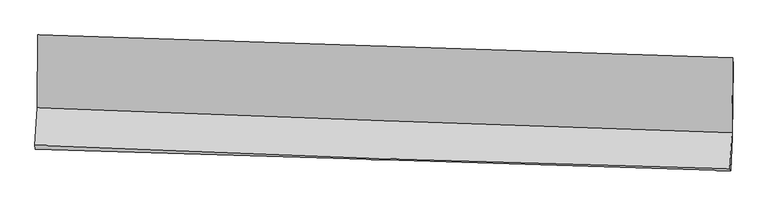
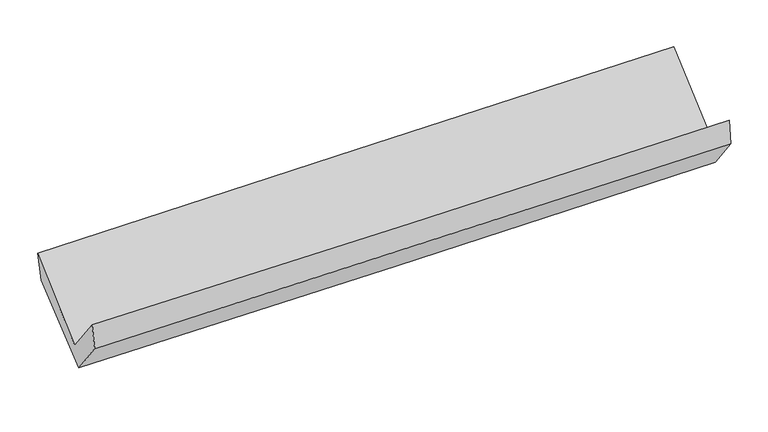
"""IFC4 building model written with IfcOpenShell, lengths in millimetres: proxy geometry."""

from ifc_helpers import new_model, si_unit, frame, origin, place, context, project, spatial, source, transform, mapped, element, save
from ifc_brep_helpers import plane_surface, spline_curve, spline_surface, advanced_brep


def generic_models_b621f8fe(model_context):
    return source(origin(), model_context, "Body", "AdvancedBrep", [
        advanced_brep(
        [(-2384.3945074, -1132.3634634, 2191.497709), (-2389.7957137, -1631.2166234, 1755.5484584), (2378.6842407, -1802.5170947, 1842.7459676), (2382.6953513, -1287.5863175, 2284.6247627), (-2404.2480497, -1890.0529101, 2081.1869226), (2364.6854321, -2049.7821919, 2161.4967147), (-2401.2765255, -1916.1059369, 1904.3005595), (2368.4412123, -2063.8206982, 1979.4678607), (-2388.2739936, -1687.3018167, 1605.6893557), (2381.2217538, -1839.4048898, 1686.8591204), (-2381.6325276, -1176.3642062, 1999.6477359), (2385.9883288, -1337.2984876, 2080.1155895)],
        [
            (0, 1),
            (1, 2, spline_curve(3, [(-2389.7957137, -1631.2166234, 1755.5484584), (-1595.201123345, -1662.570584205, 1772.91928636), (-800.534370649, -1692.522478354, 1788.871102386), (788.958944622, -1749.622690321, 1817.936993976), (1583.785510102, -1776.770952966, 1831.051014319), (2378.6842407, -1802.5170947, 1842.7459676)], [4, 2, 4], [0.0, 7.8270920636736365, 15.654336633165208])),
            (2, 3),
            (3, 0, spline_curve(3, [(2382.6953513, -1287.5863175, 2284.6247627), (1588.089141269, -1262.727822871, 2271.793091303), (793.52467837, -1237.36320694, 2257.616579227), (-795.505272711, -1185.622235725, 2226.574175791), (-1589.970762897, -1159.245900434, 2209.708336454), (-2384.3945074, -1132.3634634, 2191.497709)], [4, 2, 4], [0.0, 7.8272445694915715, 15.654336633165208])),
            (1, 4),
            (4, 5, spline_curve(3, [(-2404.2480497, -1890.0529101, 2081.1869226), (-1609.641779568, -1923.710912197, 2094.951860969), (-814.931393555, -1953.850591137, 2108.526749429), (774.713096401, -2007.093822363, 2135.296687366), (1569.647204304, -2030.197237139, 2148.491729584), (2364.6854321, -2049.7821919, 2161.4967147)], [4, 2, 4], [0.0, 7.828570451297454, 15.657293437218268])),
            (5, 2),
            (4, 6),
            (6, 7, spline_curve(3, [(-2401.2765255, -1916.1059369, 1904.3005595), (-1606.304150617, -1940.761159246, 1915.621132818), (-811.345357208, -1965.398214287, 1927.545294348), (778.5605558, -2014.636468596, 1952.601037748), (1573.507674965, -2039.237667467, 1965.732643349), (2368.4412123, -2063.8206982, 1979.4678607)], [4, 2, 4], [0.0, 7.828745225076023, 15.657642988180761])),
            (7, 5),
            (6, 8),
            (8, 9, spline_curve(3, [(-2388.2739936, -1687.3018167, 1605.6893557), (-1593.252823501, -1711.295632791, 1615.902762481), (-798.288130895, -1735.967666698, 1627.773531005), (791.543786966, -1786.668664836, 1654.830054781), (1586.411010326, -1812.697654965, 1670.015874359), (2381.2217538, -1839.4048898, 1686.8591204)], [4, 2, 4], [0.0, 7.829004013382311, 15.658160569835658])),
            (9, 7),
            (8, 10),
            (10, 11, spline_curve(3, [(-2381.6325276, -1176.3642062, 1999.6477359), (-1586.897057365, -1195.007738356, 2017.183599395), (-792.23145392, -1217.740524178, 2032.657140215), (796.975500703, -1271.385125432, 2059.479838494), (1591.516849744, -1302.297099982, 2070.828915447), (2385.9883288, -1337.2984876, 2080.1155895)], [4, 2, 4], [0.0, 7.827739130286273, 15.655630778998155])),
            (11, 9),
            (10, 0),
            (3, 11),
        ],
        [
            spline_surface(3, 3, [[(-2384.3945074, -1132.3634634, 2191.497709), (-1589.970762828, -1159.245900488, 2209.708336556), (-795.50527281, -1185.622235797, 2226.57417569), (793.524678469, -1237.363206867, 2257.616579327), (1588.08914134, -1262.727822962, 2271.79309143), (2382.6953513, -1287.5863175, 2284.6247627)], [(-2386.194909512, -1298.64785005, 2046.181292143), (-1591.714216357, -1327.020795046, 2064.111986457), (-797.181638752, -1354.588983349, 2080.673151246), (792.002767214, -1408.116367982, 2111.056717567), (1586.654597581, -1434.075533008, 2124.879065735), (2381.358314435, -1459.229909924, 2137.331831004)], [(-2387.995311588, -1464.93223675, 1900.864875257), (-1593.457669851, -1494.795689653, 1918.515636329), (-798.858004741, -1523.555730906, 1934.772126781), (790.480855912, -1578.869529102, 1964.496855786), (1585.220053815, -1605.42324298, 1977.96504003), (2380.021277565, -1630.873502276, 1990.038899296)], [(-2389.7957137, -1631.2166234, 1755.5484584), (-1595.20112338, -1662.570584211, 1772.91928623), (-800.534370684, -1692.522478458, 1788.871102336), (788.958944657, -1749.622690217, 1817.936994026), (1583.785510055, -1776.770953026, 1831.051014335), (2378.6842407, -1802.5170947, 1842.7459676)]], [4, 4], [4, 2, 4], [0.0, 2.2060929650433816], [0.0, 7.8270920636736365, 15.654336633165208]),
            spline_surface(3, 3, [[(-2389.7957137, -1631.2166234, 1755.5484584), (-1595.20112338, -1662.570584211, 1772.91928623), (-800.534370684, -1692.522478458, 1788.871102336), (788.958944657, -1749.622690217, 1817.936994026), (1583.785510055, -1776.770953026, 1831.051014335), (2378.6842407, -1802.5170947, 1842.7459676)], [(-2394.61315904, -1717.495385636, 1864.094613108), (-1600.014675414, -1749.617360192, 1880.26347776), (-805.333378308, -1779.631849383, 1895.422984678), (784.210328552, -1835.4464009, 1923.723558514), (1579.072741474, -1861.246381033, 1936.864586121), (2374.017971161, -1884.93879374, 1948.996216637)], [(-2399.43060436, -1803.774147864, 1972.640767892), (-1604.828227428, -1836.664136166, 1987.607669366), (-810.132385902, -1866.741220309, 2001.974866992), (779.461712476, -1921.270111584, 2029.510122973), (1574.359972909, -1945.721809119, 2042.678157896), (2369.351701639, -1967.36049286, 2055.246465663)], [(-2404.2480497, -1890.0529101, 2081.1869226), (-1609.641779461, -1923.710912147, 2094.951860897), (-814.931393526, -1953.850591234, 2108.526749334), (774.713096371, -2007.093822266, 2135.296687461), (1569.647204327, -2030.197237127, 2148.491729682), (2364.6854321, -2049.7821919, 2161.4967147)]], [4, 4], [4, 2, 4], [0.0, 1.3485025052903683], [0.0, 7.828570451297454, 15.657293437218268]),
            spline_surface(3, 3, [[(-2404.2480497, -1890.0529101, 2081.1869226), (-1609.641779461, -1923.710912147, 2094.951860897), (-814.931393526, -1953.850591234, 2108.526749334), (774.713096371, -2007.093822266, 2135.296687461), (1569.647204327, -2030.197237127, 2148.491729682), (2364.6854321, -2049.7821919, 2161.4967147)], [(-2403.257541628, -1898.737252363, 2022.224801563), (-1608.529236521, -1929.394327866, 2035.17495152), (-813.736048092, -1957.699798886, 2048.199597632), (775.995582886, -2009.608037738, 2074.398137575), (1570.934027902, -2033.21071395, 2087.572034246), (2365.937358829, -2054.461694018, 2100.820430039)], [(-2402.267033572, -1907.421594637, 1963.262680537), (-1607.416693595, -1935.077743596, 1975.398042153), (-812.540702707, -1961.549006544, 1987.872445961), (777.278069352, -2012.122253215, 2013.499587721), (1572.220851488, -2036.224190718, 2026.652338793), (2367.189285571, -2059.141196082, 2040.144145361)], [(-2401.2765255, -1916.1059369, 1904.3005595), (-1606.304150654, -1940.761159315, 1915.621132776), (-811.345357274, -1965.398214197, 1927.54529426), (778.560555867, -2014.636468686, 1952.601037835), (1573.507675063, -2039.237667541, 1965.732643358), (2368.4412123, -2063.8206982, 1979.4678607)]], [4, 4], [4, 2, 4], [0.0, 0.5975290246227476], [0.0, 7.828745225076023, 15.657642988180761]),
            spline_surface(3, 3, [[(-2401.2765255, -1916.1059369, 1904.3005595), (-1606.304150654, -1940.761159315, 1915.621132776), (-811.345357274, -1965.398214197, 1927.54529426), (778.560555867, -2014.636468686, 1952.601037835), (1573.507675063, -2039.237667541, 1965.732643358), (2368.4412123, -2063.8206982, 1979.4678607)], [(-2396.942348186, -1839.837896859, 1804.763491591), (-1601.95370824, -1864.272650484, 1815.715009396), (-806.992948513, -1888.921365071, 1827.621373191), (782.888299579, -1938.64720071, 1853.344043451), (1577.808786822, -1963.724330054, 1867.160387034), (2372.701392795, -1989.015428743, 1881.931613907)], [(-2392.608170914, -1763.569856741, 1705.226423609), (-1597.603265869, -1787.784141578, 1715.808885945), (-802.640539723, -1812.444515923, 1727.697452148), (787.21604332, -1862.657932711, 1754.087049092), (1582.109898594, -1888.210992538, 1768.58813079), (2376.961573305, -1914.210159257, 1784.395367193)], [(-2388.2739936, -1687.3018167, 1605.6893557), (-1593.252823455, -1711.295632747, 1615.902762565), (-798.288130961, -1735.967666798, 1627.77353108), (791.543787033, -1786.668664735, 1654.830054707), (1586.411010353, -1812.697655051, 1670.015874466), (2381.2217538, -1839.4048898, 1686.8591204)]], [4, 4], [4, 2, 4], [0.0, 1.2351704474532508], [0.0, 7.829004013382311, 15.658160569835658]),
            spline_surface(3, 3, [[(-2388.2739936, -1687.3018167, 1605.6893557), (-1593.252823455, -1711.295632747, 1615.902762565), (-798.288130961, -1735.967666798, 1627.77353108), (791.543787033, -1786.668664735, 1654.830054707), (1586.411010353, -1812.697655051, 1670.015874466), (2381.2217538, -1839.4048898, 1686.8591204)], [(-2386.0601716, -1516.989279862, 1737.008815772), (-1591.13423476, -1539.199667987, 1749.663041486), (-796.269238673, -1563.225285951, 1762.734734165), (793.354358271, -1614.907484938, 1789.71331599), (1588.112956775, -1642.564136701, 1803.620221464), (2382.810612129, -1672.036089039, 1817.944610111)], [(-2383.8463496, -1346.676743038, 1868.328275828), (-1589.015646064, -1367.103703242, 1883.423320392), (-794.250346319, -1390.482905108, 1897.69593716), (795.164929576, -1443.146305146, 1924.596577181), (1589.81490321, -1472.430618435, 1937.224568429), (2384.399470471, -1504.667288361, 1949.030099789)], [(-2381.6325276, -1176.3642062, 1999.6477359), (-1586.897057369, -1195.007738482, 2017.183599313), (-792.231454031, -1217.740524261, 2032.657140245), (796.975500814, -1271.385125349, 2059.479838464), (1591.516849632, -1302.297100085, 2070.828915428), (2385.9883288, -1337.2984876, 2080.1155895)]], [4, 4], [4, 2, 4], [0.0, 2.1536536784332383], [0.0, 7.827739130286273, 15.655630778998155]),
            spline_surface(3, 3, [[(-2381.6325276, -1176.3642062, 1999.6477359), (-1586.897057369, -1195.007738482, 2017.183599313), (-792.231454031, -1217.740524261, 2032.657140245), (796.975500814, -1271.385125349, 2059.479838464), (1591.516849632, -1302.297100085, 2070.828915428), (2385.9883288, -1337.2984876, 2080.1155895)], [(-2382.553187534, -1161.697291931, 2063.597726923), (-1587.921625855, -1183.087125815, 2081.358511717), (-793.322726947, -1207.034428104, 2097.296152032), (795.825226709, -1260.044485854, 2125.525418724), (1590.374280217, -1289.107341046, 2137.816974098), (2384.89066965, -1320.727764235, 2148.285313903)], [(-2383.473847466, -1147.030377669, 2127.547717977), (-1588.946194341, -1171.166513155, 2145.533424152), (-794.413999893, -1196.328331954, 2161.935163903), (794.674952574, -1248.703846363, 2191.570999068), (1589.231710754, -1275.917582001, 2204.805032759), (2383.79301045, -1304.157040865, 2216.455038297)], [(-2384.3945074, -1132.3634634, 2191.497709), (-1589.970762828, -1159.245900488, 2209.708336556), (-795.50527281, -1185.622235797, 2226.57417569), (793.524678469, -1237.363206867, 2257.616579327), (1588.08914134, -1262.727822962, 2271.79309143), (2382.6953513, -1287.5863175, 2284.6247627)]], [4, 4], [4, 2, 4], [0.0, 0.652313936982473], [0.0, 7.826026639626259, 15.652205764311358]),
            plane_surface(frame((2376.9527198, -1730.06828, 2005.8850026), z_axis=(0.9993693707826565, -0.02728503765382211, 0.022724160308065303), x_axis=(0.007473505979634628, 0.7872518967900037, 0.6165862451505983))),
            plane_surface(frame((-2391.6035529, -1572.2341595, 1922.9784569), z_axis=(-0.9993492472344196, 0.029257218132862847, -0.02109732777214345), x_axis=(0.014030852215060282, -0.2235236910755571, -0.9745975039543648))),
        ],
        [
            (0, [[1, 2, 3, 4]]),
            (1, [[5, 6, 7, -2]]),
            (2, [[8, 9, 10, -6]]),
            (3, [[11, 12, 13, -9]]),
            (4, [[14, 15, 16, -12]]),
            (5, [[17, -4, 18, -15]]),
            (6, [[-16, -18, -3, -7, -10, -13]]),
            (7, [[-17, -14, -11, -8, -5, -1]]),
        ],
    ),
    ])


if __name__ == "__main__":
    model = new_model("IFC4")
    model_context = context("Model", 3, world=origin())
    ifc_project = project(units=[si_unit("LENGTHUNIT", "METRE", prefix="MILLI")], contexts=[model_context])
    site = spatial("IfcSite", under=ifc_project)
    building = spatial("IfcBuilding", under=site)
    placement = place(None, origin())
    generic_models_shape = generic_models_b621f8fe(model_context)
    element("IfcBuildingElementProxy", 1, Name="Generic Models", at=placement, inside=building, context=model_context, shape_type="MappedRepresentation", body=[
        mapped(generic_models_shape, transform((0.0, 0.0, 0.0), x_axis=(1.0, 0.0, 0.0), y_axis=(0.0, 1.0, 0.0), z_axis=(0.0, 0.0, 1.0))),
    ])
    save(model, "model.ifc")
